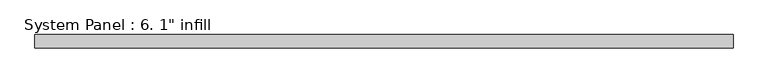
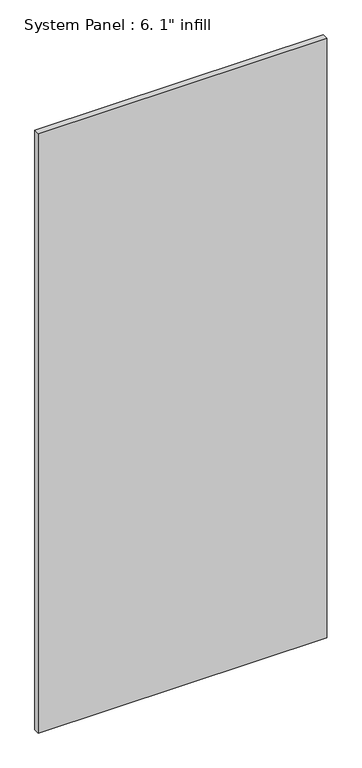
"""IFC4 building model written with IfcOpenShell, lengths in millimetres: plate geometry."""

from ifc_helpers import new_model, si_unit, origin, origin_with_axes, place, context, project, spatial, polyline, outline, extrude, source, transform, mapped, element, save


def plate_967e6fa9(model_context):
    return source(origin(), model_context, "Body", "SweptSolid", [
        extrude(outline(polyline([(669.925, -12.7), (-669.925, -12.7), (-669.925, 12.7), (669.925, 12.7), (669.925, -12.7)])), origin_with_axes(), (0.0, 0.0, 1.0), 2943.225),
    ])


if __name__ == "__main__":
    model = new_model("IFC4")
    model_context = context("Model", 3, world=origin())
    ifc_project = project(units=[si_unit("LENGTHUNIT", "METRE", prefix="MILLI")], contexts=[model_context])
    site = spatial("IfcSite", under=ifc_project)
    building = spatial("IfcBuilding", under=site)
    placement = place(None, origin())
    plate_shape = plate_967e6fa9(model_context)
    element("IfcPlate", 1, ObjectType="System Panel : 6. 1\" infill", at=placement, inside=building, context=model_context, shape_type="MappedRepresentation", body=[
        mapped(plate_shape, transform((0.0, 0.0, 0.0), x_axis=(1.0, 0.0, 0.0), y_axis=(0.0, 1.0, 0.0), z_axis=(0.0, 0.0, 1.0))),
    ])
    save(model, "model.ifc")
